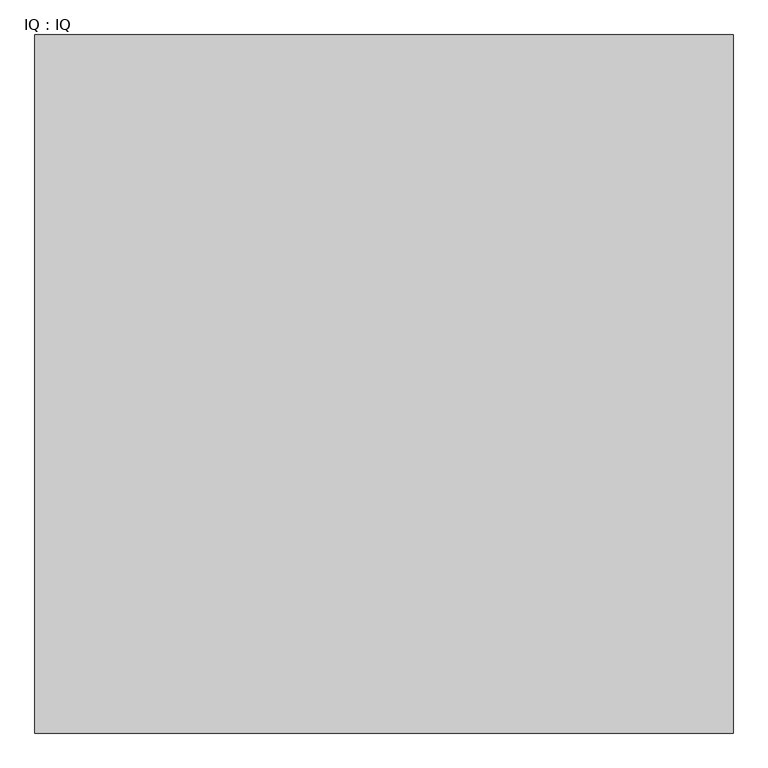
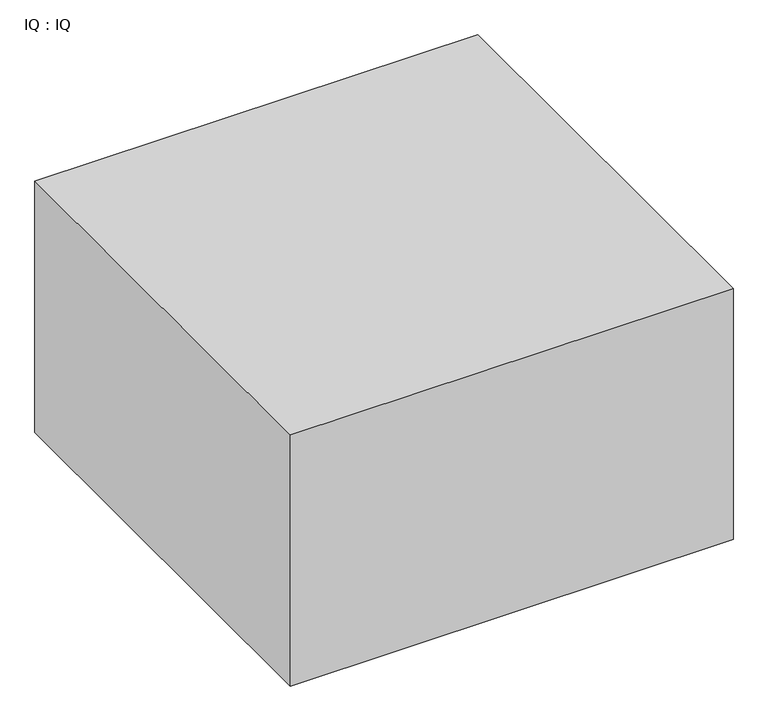
"""IFC4 building model written with IfcOpenShell, lengths in millimetres: proxy geometry, IQ : IQ."""

from ifc_helpers import new_model, si_unit, origin, origin_with_axes, place, context, project, spatial, polyline, outline, extrude, source, transform, mapped, element, save


def iq_iq_5dfdfadf(model_context):
    return source(origin(), model_context, "Body", "SweptSolid", [
        extrude(outline(polyline([(1000.0, 1000.0), (1000.0, 0.0), (0.0, 0.0), (0.0, 1000.0), (1000.0, 1000.0)])), origin_with_axes(), (0.0, 0.0, 1.0), 600.0),
    ])


if __name__ == "__main__":
    model = new_model("IFC4")
    model_context = context("Model", 3, world=origin())
    ifc_project = project(units=[si_unit("LENGTHUNIT", "METRE", prefix="MILLI")], contexts=[model_context])
    site = spatial("IfcSite", under=ifc_project)
    building = spatial("IfcBuilding", under=site)
    placement = place(None, origin())
    iq_iq_shape = iq_iq_5dfdfadf(model_context)
    element("IfcBuildingElementProxy", 1, Name="IQ : IQ", ObjectType="IQ : IQ", at=placement, inside=building, context=model_context, shape_type="MappedRepresentation", body=[
        mapped(iq_iq_shape, transform((0.0, 0.0, 0.0), x_axis=(1.0, 0.0, 0.0), y_axis=(0.0, 1.0, 0.0), z_axis=(0.0, 0.0, 1.0))),
    ])
    save(model, "model.ifc")
